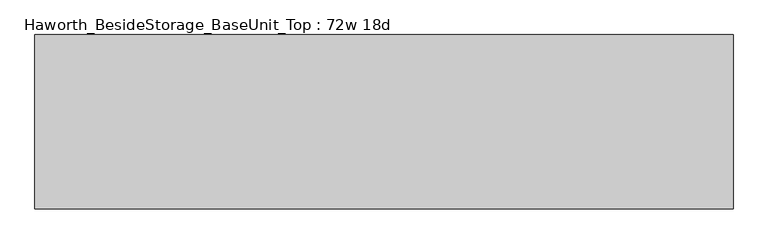
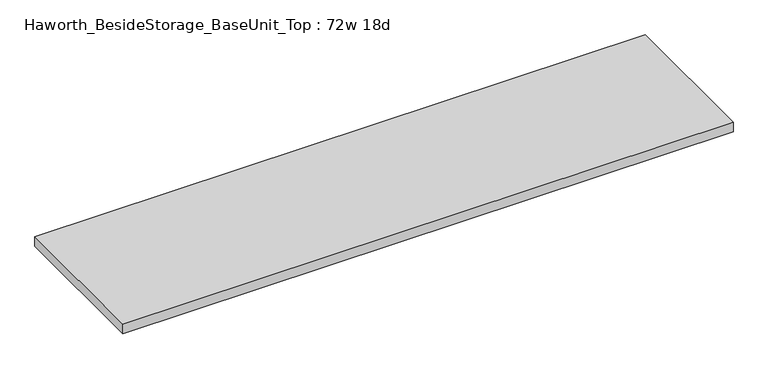
"""IFC4 building model written with IfcOpenShell, lengths in millimetres: furniture geometry, Haworth_BesideStorage_BaseUnit_Top : 72w 18d."""

from ifc_helpers import new_model, si_unit, frame, origin, place, context, project, spatial, polyline, outline, extrude, source, transform, mapped, element, save


def haworth_besidestorage_baseunit_top_72w_18d_f0507e6a(model_context):
    return source(origin(), model_context, "Body", "SweptSolid", [
        extrude(outline(polyline([(914.4, 228.6), (914.4, -228.6), (-914.4, -228.6), (-914.4, 228.6), (914.4, 228.6)])), frame((0.0, 0.0, 706.4375), z_axis=(0.0, 0.0, 1.0), x_axis=(1.0, 0.0, 0.0)), (0.0, 0.0, 1.0), 30.1625),
    ])


if __name__ == "__main__":
    model = new_model("IFC4")
    model_context = context("Model", 3, world=origin())
    ifc_project = project(units=[si_unit("LENGTHUNIT", "METRE", prefix="MILLI")], contexts=[model_context])
    site = spatial("IfcSite", under=ifc_project)
    building = spatial("IfcBuilding", under=site)
    placement = place(None, origin())
    haworth_besidestorage_baseunit_top_72w_18d_shape = haworth_besidestorage_baseunit_top_72w_18d_f0507e6a(model_context)
    element("IfcFurniture", 1, ObjectType="Haworth_BesideStorage_BaseUnit_Top : 72w 18d", at=placement, inside=building, context=model_context, shape_type="MappedRepresentation", body=[
        mapped(haworth_besidestorage_baseunit_top_72w_18d_shape, transform((0.0, 0.0, 0.0), x_axis=(1.0, 0.0, 0.0), y_axis=(0.0, 1.0, 0.0), z_axis=(0.0, 0.0, 1.0))),
    ])
    save(model, "model.ifc")
